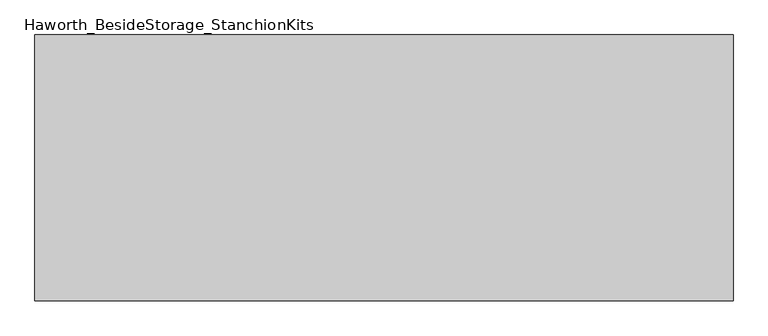
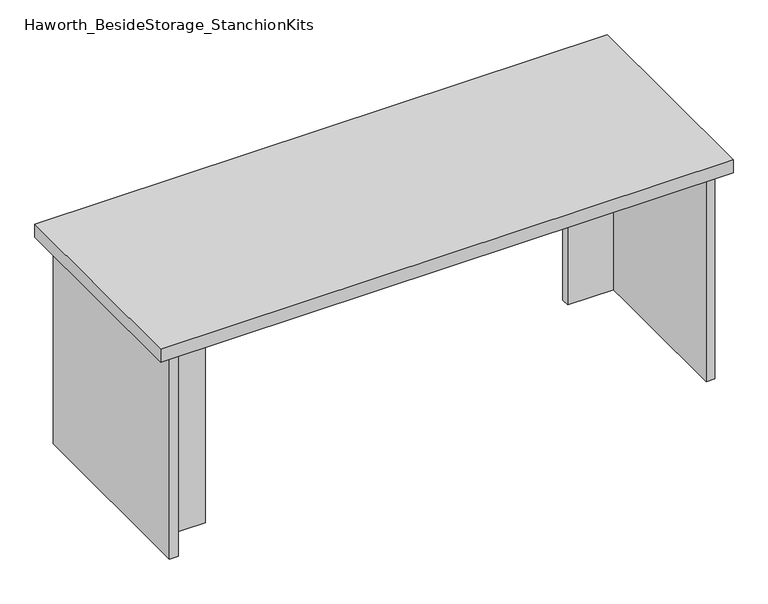
"""IFC4 building model written with IfcOpenShell, lengths in millimetres: furniture geometry, Haworth_BesideStorage_StanchionKits."""

from ifc_helpers import new_model, si_unit, frame, origin, place, context, project, spatial, polyline, outline, extrude, source, transform, mapped, element, save


def haworth_besidestorage_stanchionkits_91bd2ae2(model_context):
    return source(origin(), model_context, "Body", "SweptSolid", [
        extrude(outline(polyline([(695.325, 0.0), (695.325, -406.4), (-371.475, -406.4), (-371.475, 0.0), (695.325, 0.0)])), frame((0.0, 0.0, 838.2), z_axis=(0.0, 0.0, 1.0), x_axis=(1.0, 0.0, 0.0)), (0.0, 0.0, 1.0), 25.4),
        extrude(outline(polyline([(568.325, -76.2), (654.05, -76.2), (654.05, -92.075), (568.325, -92.075), (568.325, -76.2)])), frame((0.0, 0.0, 431.8), z_axis=(0.0, 0.0, 1.0), x_axis=(1.0, 0.0, 0.0)), (0.0, 0.0, 1.0), 406.4),
        extrude(outline(polyline([(-244.475, -314.325), (-244.475, -330.2), (-330.2, -330.2), (-330.2, -314.325), (-244.475, -314.325)])), frame((0.0, 0.0, 431.8), z_axis=(0.0, 0.0, 1.0), x_axis=(1.0, 0.0, 0.0)), (0.0, 0.0, 1.0), 406.4),
        extrude(outline(polyline([(669.925, -390.525), (654.05, -390.525), (654.05, -15.875), (669.925, -15.875), (669.925, -390.525)])), frame((0.0, 0.0, 431.8), z_axis=(0.0, 0.0, 1.0), x_axis=(1.0, 0.0, 0.0)), (0.0, 0.0, 1.0), 406.4),
        extrude(outline(polyline([(-330.2, -390.525), (-346.075, -390.525), (-346.075, -15.875), (-330.2, -15.875), (-330.2, -390.525)])), frame((0.0, 0.0, 431.8), z_axis=(0.0, 0.0, 1.0), x_axis=(1.0, 0.0, 0.0)), (0.0, 0.0, 1.0), 406.4),
    ])


if __name__ == "__main__":
    model = new_model("IFC4")
    model_context = context("Model", 3, world=origin())
    ifc_project = project(units=[si_unit("LENGTHUNIT", "METRE", prefix="MILLI")], contexts=[model_context])
    site = spatial("IfcSite", under=ifc_project)
    building = spatial("IfcBuilding", under=site)
    placement = place(None, origin())
    haworth_besidestorage_stanchionkits_shape = haworth_besidestorage_stanchionkits_91bd2ae2(model_context)
    element("IfcFurniture", 1, ObjectType="Haworth_BesideStorage_StanchionKits", at=placement, inside=building, context=model_context, shape_type="MappedRepresentation", body=[
        mapped(haworth_besidestorage_stanchionkits_shape, transform((0.0, 0.0, 0.0), x_axis=(1.0, 0.0, 0.0), y_axis=(0.0, 1.0, 0.0), z_axis=(0.0, 0.0, 1.0))),
    ])
    save(model, "model.ifc")
